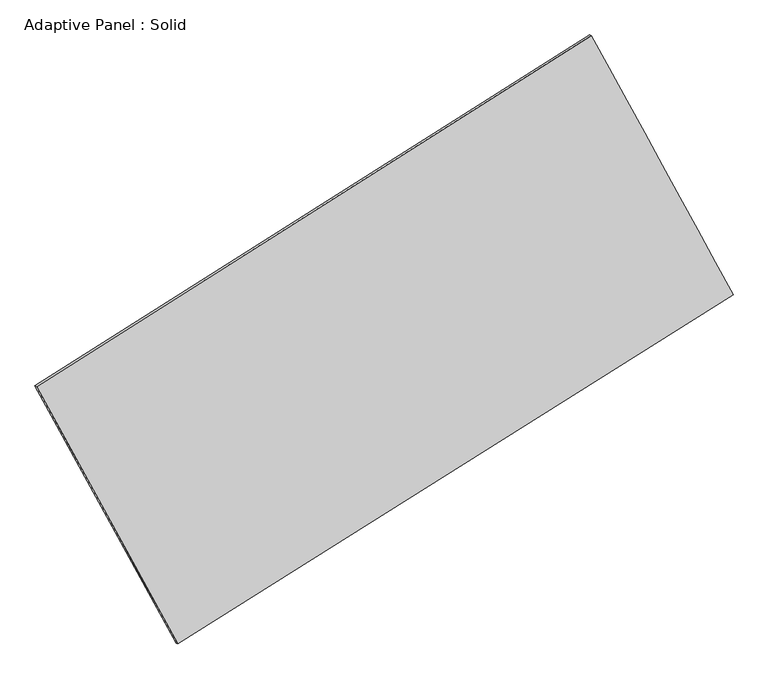
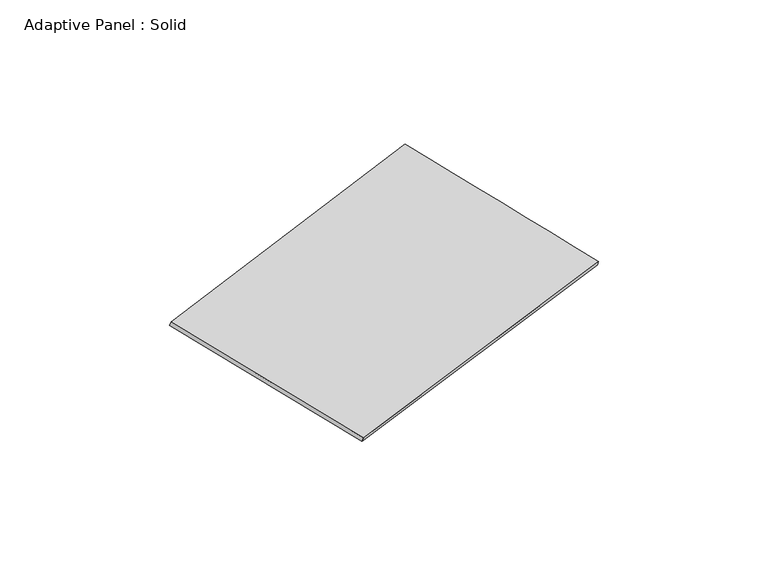
"""IFC4 building model written with IfcOpenShell, lengths in millimetres: plate geometry, Adaptive Panel : Solid."""

from ifc_helpers import new_model, si_unit, frame, origin, place, context, project, spatial, source, transform, mapped, element, save
from ifc_brep_helpers import plane_surface, spline_surface, advanced_brep


def adaptive_panel_solid_c937e7e2(model_context):
    return source(origin(), model_context, "Body", "AdvancedBrep", [
        advanced_brep(
        [(1169.4526354, 2582.245454, 672.3155781), (-3717.140042, -509.6385489, 1762.0770179), (-3702.4736862, -516.0186423, 1809.4499259), (1184.1189913, 2575.8653605, 719.6884861), (-2473.1877257, -2775.3178603, 1078.5307643), (-2458.5213698, -2781.6979538, 1125.9036723), (2417.5845541, 302.4623824, -27.80084), (2432.2509099, 296.0822889, 19.572068)],
        [
            (0, 1),
            (1, 2),
            (2, 3),
            (3, 0),
            (1, 4),
            (4, 5),
            (5, 2),
            (4, 6),
            (6, 7),
            (7, 5),
            (6, 0),
            (3, 7),
        ],
        [
            plane_surface(frame((-1273.8437033, 1036.3034526, 1217.196298), z_axis=(-0.4741993596597044, 0.8411231456944926, 0.2600900249439181), x_axis=(-0.8304323486727513, -0.5254377976284318, 0.1851951270990721))),
            plane_surface(frame((-3095.1638838, -1642.4782046, 1420.3038911), z_axis=(-0.8355373991046293, -0.5158276561200154, 0.18920645834432426), x_axis=(0.46527831320366614, -0.8474371842600602, -0.25566835939500154))),
            plane_surface(frame((-27.8015858, -1236.427739, 525.3649621), z_axis=(0.47163564017306503, -0.8427408907846362, -0.2595141882789093), x_axis=(0.8312597996264892, 0.5231147232979756, -0.18803758080184815))),
            plane_surface(frame((1793.5185948, 1442.3539182, 322.257369), z_axis=(0.8356491680273347, 0.515623793473052, -0.18926851713817316), x_axis=(-0.46369145453761995, 0.8469584927018333, 0.2600991092430441))),
            spline_surface(1, 1, [[(-3702.4736862, -516.0186423, 1809.4499259), (1184.1189913, 2575.8653605, 719.6884861)], [(-2458.5213698, -2781.6979538, 1125.9036723), (2432.2509099, 296.0822889, 19.572068)]], [2, 2], [2, 2], [0.0, 1.0], [0.0, 1.0]),
            spline_surface(1, 1, [[(2417.5845541, 302.4623824, -27.80084), (1169.4526354, 2582.245454, 672.3155781)], [(-2473.1877257, -2775.3178603, 1078.5307643), (-3717.140042, -509.6385489, 1762.0770179)]], [2, 2], [2, 2], [0.0, 1.0], [0.0, 1.0]),
        ],
        [
            (0, [[1, 2, 3, 4]]),
            (1, [[5, 6, 7, -2]]),
            (2, [[8, 9, 10, -6]]),
            (3, [[11, -4, 12, -9]]),
            (4, [[-3, -7, -10, -12]]),
            (5, [[-11, -8, -5, -1]]),
        ],
    ),
    ])


if __name__ == "__main__":
    model = new_model("IFC4")
    model_context = context("Model", 3, world=origin())
    ifc_project = project(units=[si_unit("LENGTHUNIT", "METRE", prefix="MILLI")], contexts=[model_context])
    site = spatial("IfcSite", under=ifc_project)
    building = spatial("IfcBuilding", under=site)
    placement = place(None, origin())
    adaptive_panel_solid_shape = adaptive_panel_solid_c937e7e2(model_context)
    element("IfcPlate", 1, ObjectType="Adaptive Panel : Solid", at=placement, inside=building, context=model_context, shape_type="MappedRepresentation", body=[
        mapped(adaptive_panel_solid_shape, transform((0.0, 0.0, 0.0), x_axis=(1.0, 0.0, 0.0), y_axis=(0.0, 1.0, 0.0), z_axis=(0.0, 0.0, 1.0))),
    ])
    save(model, "model.ifc")
